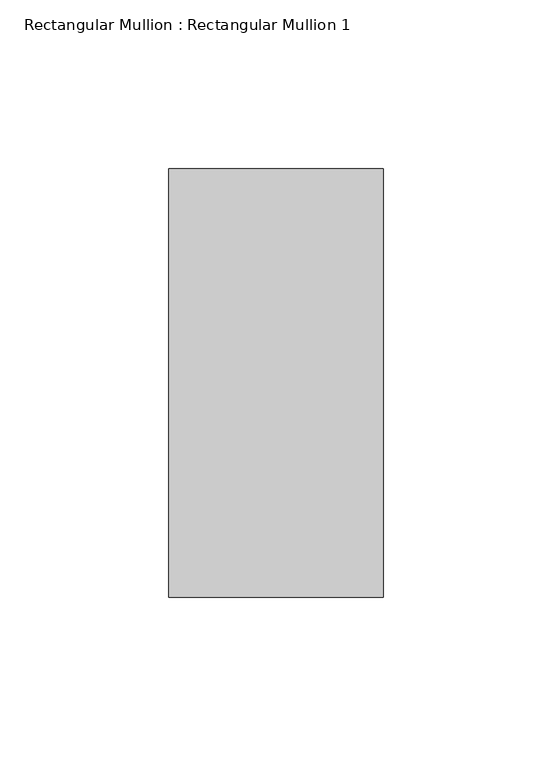
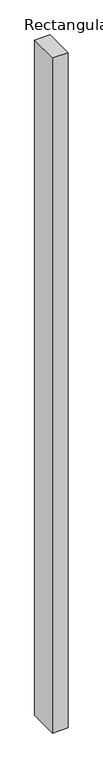
"""IFC4 building model written with IfcOpenShell, lengths in millimetres: member geometry, Rectangular Mullion : Rectangular Mullion 1."""

from ifc_helpers import new_model, si_unit, frame, origin, place, context, project, spatial, polyline, outline, extrude, source, transform, mapped, element, save


def rectangular_mullion_rectangular_mullion_1_267383d8(model_context):
    return source(origin(), model_context, "Body", "SweptSolid", [
        extrude(outline(polyline([(31.75, 63.5), (31.75, -63.5), (-31.75, -63.5), (-31.75, 63.5), (31.75, 63.5)])), frame((0.0, 0.0, -2933.7), z_axis=(0.0, 0.0, 1.0), x_axis=(1.0, 0.0, 0.0)), (0.0, 0.0, 1.0), 2933.7),
    ])


if __name__ == "__main__":
    model = new_model("IFC4")
    model_context = context("Model", 3, world=origin())
    ifc_project = project(units=[si_unit("LENGTHUNIT", "METRE", prefix="MILLI")], contexts=[model_context])
    site = spatial("IfcSite", under=ifc_project)
    building = spatial("IfcBuilding", under=site)
    placement = place(None, origin())
    rectangular_mullion_rectangular_mullion_1_shape = rectangular_mullion_rectangular_mullion_1_267383d8(model_context)
    element("IfcMember", 1, ObjectType="Rectangular Mullion : Rectangular Mullion 1", at=placement, inside=building, context=model_context, shape_type="MappedRepresentation", body=[
        mapped(rectangular_mullion_rectangular_mullion_1_shape, transform((0.0, 0.0, 0.0), x_axis=(1.0, 0.0, 0.0), y_axis=(0.0, 1.0, 0.0), z_axis=(0.0, 0.0, 1.0))),
    ])
    save(model, "model.ifc")
